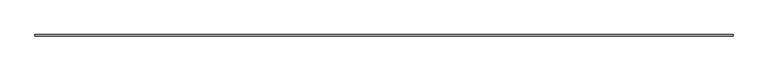
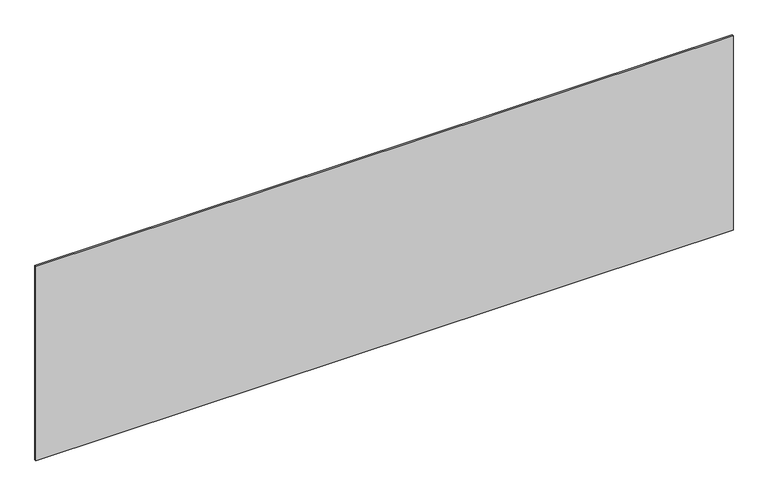
"""IFC4 building model written with IfcOpenShell, lengths in millimetres: plate geometry."""

from ifc_helpers import new_model, si_unit, origin, origin_with_axes, place, context, project, spatial, polyline, outline, extrude, source, transform, mapped, element, save


def plate_ea210885(model_context):
    return source(origin(), model_context, "Body", "SweptSolid", [
        extrude(outline(polyline([(2281.6666667, -5.0), (-2281.6666667, -5.0), (-2281.6666667, 5.0), (2281.6666667, 5.0), (2281.6666667, -5.0)])), origin_with_axes(), (0.0, 0.0, 1.0), 1345.016358),
    ])


if __name__ == "__main__":
    model = new_model("IFC4")
    model_context = context("Model", 3, world=origin())
    ifc_project = project(units=[si_unit("LENGTHUNIT", "METRE", prefix="MILLI")], contexts=[model_context])
    site = spatial("IfcSite", under=ifc_project)
    building = spatial("IfcBuilding", under=site)
    placement = place(None, origin())
    plate_shape = plate_ea210885(model_context)
    element("IfcPlate", 1, at=placement, inside=building, context=model_context, shape_type="MappedRepresentation", body=[
        mapped(plate_shape, transform((0.0, 0.0, 0.0), x_axis=(1.0, 0.0, 0.0), y_axis=(0.0, 1.0, 0.0), z_axis=(0.0, 0.0, 1.0))),
    ])
    save(model, "model.ifc")
